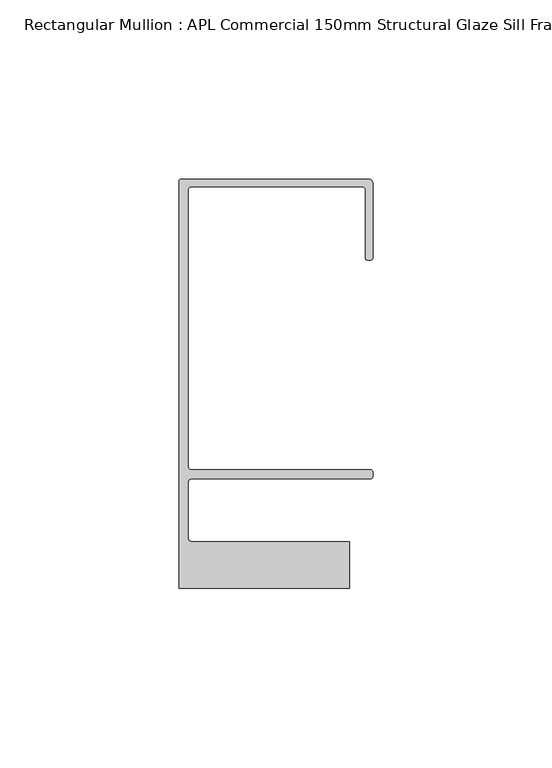
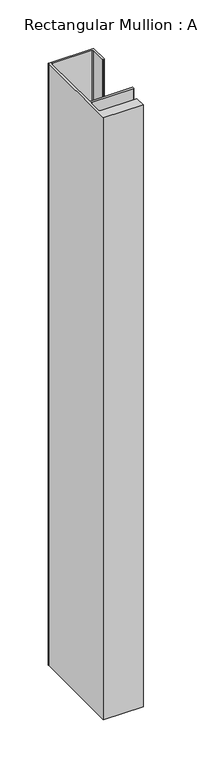
"""IFC4 building model written with IfcOpenShell, lengths in millimetres: member geometry, Rectangular Mullion : APL Commercial 150mm Structural Glaze Sill Frame (Back)."""

from ifc_helpers import new_model, si_unit, frame, origin, place, context, project, spatial, polyline, circle_curve, source, transform, mapped, element, save
from ifc_brep_helpers import plane_surface, cylinder_surface, revolved_surface, advanced_brep


def rectangular_mullion_apl_commercial_150mm_structural_glaze_35e57533(model_context):
    return source(origin(), model_context, "Body", "AdvancedBrep", [
        advanced_brep(
        [(-53.5000083, 129.0001071, 0.0), (-54.0000083, 128.5001071, 0.0), (-54.0000083, 15.0004332, 0.0), (-6.5000083, 15.0004332, 0.0), (-6.5000083, 28.0004332, 0.0), (-50.500032, 28.0004332, 0.0), (-51.500032, 29.0004332, 0.0), (-51.500032, 44.4999541, 0.0), (-50.500032, 45.4999541, 0.0), (-0.521387, 45.4999541, 0.0), (-5.4e-06, 46.0213357, 0.0), (-5.4e-06, 47.5021598, 0.0), (-0.5000012, 48.000115, 0.0), (-50.482081, 48.000115, 0.0), (-51.5000225, 48.9999541, 0.0), (-51.5000225, 126.00011, 0.0), (-50.5000083, 127.00011, 0.0), (-2.9999982, 127.00011, 0.0), (-1.9999982, 126.0001071, 0.0), (-1.9999982, 107.0001071, 0.0), (-1.4999822, 106.5001071, 0.0), (-0.5, 106.5001071, 0.0), (0.0, 107.0001071, 0.0), (0.0, 128.0001071, 0.0), (-1.0000079, 129.0001071, 0.0), (-53.5000083, 129.0001071, -760.1422625), (-1.0000079, 129.0001071, -760.1422625), (-7.9e-06, 128.0001071, -760.1422625), (0.0, 107.0001071, -760.1422625), (-0.5, 106.5001071, -760.1422625), (-1.4999822, 106.5001071, -760.1422625), (-1.9999822, 107.0001071, -760.1422625), (-1.9999982, 126.0001071, -760.1422625), (-2.9999982, 127.0001071, -760.1422625), (-50.5000083, 127.00011, -760.1422625), (-51.5000083, 126.00011, -760.1422625), (-51.5000225, 48.9999541, -760.1422625), (-50.482081, 48.000115, -760.1422625), (-0.5000012, 48.000115, -760.1422625), (-5.4e-06, 47.5021598, -760.1422625), (-5.4e-06, 46.0213357, -760.1422625), (-0.521387, 45.4999541, -760.1422625), (-50.500032, 45.4999541, -760.1422625), (-51.500032, 44.4999541, -760.1422625), (-51.500032, 29.0004332, -760.1422625), (-50.500032, 28.0004332, -760.1422625), (-6.5000083, 28.0004332, -760.1422625), (-6.5000083, 15.0004332, -760.1422625), (-54.0000083, 15.0004332, -760.1422625), (-54.0000083, 128.5001071, -760.1422625)],
        [
            (0, 1, circle_curve(frame((-53.5000083, 128.5001071, 0.0), z_axis=(0.0, 0.0, 1.0), x_axis=(0.0, 1.0, 0.0)), 0.5)),
            (1, 2),
            (2, 3),
            (3, 4),
            (4, 5),
            (5, 6, circle_curve(frame((-50.500032, 29.0004332, 0.0), z_axis=(0.0, 0.0, -1.0), x_axis=(0.0, -1.0, 0.0)), 1.0)),
            (6, 7),
            (7, 8, circle_curve(frame((-50.500032, 44.4999541, 0.0), z_axis=(0.0, 0.0, -1.0), x_axis=(-0.9999999999998819, 4.863123717036027e-07, 0.0)), 1.0)),
            (8, 9),
            (9, 10, circle_curve(frame((-0.521387, 46.0213357, 0.0), z_axis=(0.0, 0.0, 1.0), x_axis=(-1.0, 0.0, 0.0)), 0.5213816)),
            (10, 11),
            (11, 12, circle_curve(frame((-0.5000012, 47.500115, 0.0), z_axis=(0.0, 0.0, 1.0), x_axis=(0.9999999999999991, -4.5120271963110614e-08, 0.0)), 0.5)),
            (12, 13),
            (13, 14, circle_curve(frame((-50.5000225, 48.9999541, 0.0), z_axis=(0.0, 0.0, -1.0), x_axis=(3.5344775231070867e-06, -0.9999999999937538, 0.0)), 1.0)),
            (14, 15),
            (15, 16, circle_curve(frame((-50.5000083, 126.00011, 0.0), z_axis=(0.0, 0.0, -1.0), x_axis=(-1.0, 3.636202450239078e-12, 0.0)), 1.0)),
            (16, 17),
            (17, 18, circle_curve(frame((-2.9999982, 126.0001071, 0.0), z_axis=(0.0, 0.0, -1.0), x_axis=(0.0, 1.0, 0.0)), 1.0)),
            (18, 19),
            (19, 20, circle_curve(frame((-1.4999822, 107.0001071, 0.0), z_axis=(0.0, 0.0, 1.0), x_axis=(-1.0, -1.039279773351609e-08, 0.0)), 0.5)),
            (20, 21),
            (21, 22, circle_curve(frame((-0.5, 107.0001071, 0.0), z_axis=(0.0, 0.0, 1.0), x_axis=(0.0, -1.0, 0.0)), 0.5)),
            (22, 23),
            (23, 24, circle_curve(frame((-1.0000079, 128.0001071, 0.0), z_axis=(0.0, 0.0, 1.0), x_axis=(0.9999999999996143, 8.78371761103865e-07, 0.0)), 1.0)),
            (24, 0),
            (25, 26),
            (26, 27, circle_curve(frame((-1.0000079, 128.0001071, -760.1422625), z_axis=(0.0, 0.0, -1.0), x_axis=(0.9999999999996143, 8.78371761103865e-07, 0.0)), 1.0)),
            (27, 28),
            (28, 29, circle_curve(frame((-0.5, 107.0001071, -760.1422625), z_axis=(0.0, 0.0, -1.0), x_axis=(0.0, -1.0, 0.0)), 0.5)),
            (29, 30),
            (30, 31, circle_curve(frame((-1.4999822, 107.0001071, -760.1422625), z_axis=(0.0, 0.0, -1.0), x_axis=(-1.0, -1.039279773351609e-08, 0.0)), 0.5)),
            (31, 32),
            (32, 33, circle_curve(frame((-2.9999982, 126.0001071, -760.1422625), z_axis=(0.0, 0.0, 1.0), x_axis=(0.0, 1.0, 0.0)), 1.0)),
            (33, 34),
            (34, 35, circle_curve(frame((-50.5000083, 126.00011, -760.1422625), z_axis=(0.0, 0.0, 1.0), x_axis=(-1.0, 3.636202450239078e-12, 0.0)), 1.0)),
            (35, 36),
            (36, 37, circle_curve(frame((-50.5000225, 48.9999541, -760.1422625), z_axis=(0.0, 0.0, 1.0), x_axis=(3.5344775231070867e-06, -0.9999999999937538, 0.0)), 1.0)),
            (37, 38),
            (38, 39, circle_curve(frame((-0.5000012, 47.500115, -760.1422625), z_axis=(0.0, 0.0, -1.0), x_axis=(0.9999999999999991, -4.5120271963110614e-08, 0.0)), 0.5)),
            (39, 40),
            (40, 41, circle_curve(frame((-0.521387, 46.0213357, -760.1422625), z_axis=(0.0, 0.0, -1.0), x_axis=(-1.0, 0.0, 0.0)), 0.5213816)),
            (41, 42),
            (42, 43, circle_curve(frame((-50.500032, 44.4999541, -760.1422625), z_axis=(0.0, 0.0, 1.0), x_axis=(-0.9999999999998819, 4.863123717036027e-07, 0.0)), 1.0)),
            (43, 44),
            (44, 45, circle_curve(frame((-50.500032, 29.0004332, -760.1422625), z_axis=(0.0, 0.0, 1.0), x_axis=(0.0, -1.0, 0.0)), 1.0)),
            (45, 46),
            (46, 47),
            (47, 48),
            (48, 49),
            (49, 25, circle_curve(frame((-53.5000083, 128.5001071, -760.1422625), z_axis=(0.0, 0.0, -1.0), x_axis=(0.0, 1.0, 0.0)), 0.5)),
            (0, 25),
            (49, 1),
            (48, 2),
            (47, 3),
            (46, 4),
            (45, 5),
            (44, 6),
            (43, 7),
            (42, 8),
            (41, 9),
            (40, 10),
            (39, 11),
            (38, 12),
            (37, 13),
            (36, 14),
            (35, 15),
            (34, 16),
            (33, 17),
            (32, 18),
            (31, 19),
            (30, 20),
            (29, 21),
            (28, 22),
            (27, 23),
            (26, 24),
        ],
        [
            plane_surface(frame((0.0, -139.6548314, 0.0), z_axis=(0.0, 0.0, 1.0), x_axis=(-1.0, 0.0, 0.0))),
            plane_surface(frame((0.0, -139.6548314, -760.1422625), z_axis=(0.0, 0.0, -1.0), x_axis=(-1.0, 0.0, 0.0))),
            cylinder_surface(frame((-53.5000083, 128.5001071, 0.0), z_axis=(0.0, 0.0, 1.0), x_axis=(0.0, 1.0, 0.0)), 0.5),
            plane_surface(frame((-54.0000083, 128.5001071, 0.0), z_axis=(-1.0, 0.0, 0.0), x_axis=(0.0, 0.0, -1.0))),
            plane_surface(frame((-54.0000083, 15.0004332, 0.0), z_axis=(0.0, -1.0, 0.0), x_axis=(0.0, 0.0, -1.0))),
            plane_surface(frame((-6.5000083, 15.0004332, 0.0), z_axis=(1.0, 0.0, 0.0), x_axis=(0.0, 0.0, -1.0))),
            plane_surface(frame((-6.5000083, 28.0004332, 0.0), z_axis=(0.0, 1.0, 0.0), x_axis=(0.0, 0.0, -1.0))),
            revolved_surface(polyline([(-50.500032, 28.0004332, -760.1422625), (-50.500032, 28.0004332, 0.0)]), (-50.500032, 29.0004332, 0.0), (0.0, 0.0, -1.0)),
            plane_surface(frame((-51.500032, 29.0004332, 0.0), z_axis=(1.0, 0.0, 0.0), x_axis=(0.0, 0.0, -1.0))),
            revolved_surface(polyline([(-51.50003199999988, 44.49995458631237, -760.1422625000002), (-51.50003199999988, 44.49995458631237, 0.0)]), (-50.500032, 44.4999541, 0.0), (0.0, 0.0, -1.0000000000000002)),
            plane_surface(frame((-50.500032, 45.4999541, 0.0), z_axis=(0.0, -1.0, 0.0), x_axis=(0.0, 0.0, -1.0))),
            cylinder_surface(frame((-0.521387, 46.0213357, 0.0), z_axis=(0.0, 0.0, 1.0), x_axis=(-1.0, 0.0, 0.0)), 0.5213816),
            plane_surface(frame((-5.4e-06, 46.0213357, 0.0), z_axis=(1.0, 0.0, 0.0), x_axis=(0.0, 0.0, -1.0))),
            cylinder_surface(frame((-0.5000012, 47.500115, 0.0), z_axis=(0.0, 0.0, 1.0000000000000002), x_axis=(0.9999999999999991, -4.5120271963110614e-08, 0.0)), 0.5),
            plane_surface(frame((-0.5000012, 48.000115, 0.0), z_axis=(0.0, 1.0, 0.0), x_axis=(0.0, 0.0, -1.0))),
            revolved_surface(polyline([(-50.50001896552248, 47.99995410000624, -760.1422625), (-50.50001896552248, 47.99995410000624, 0.0)]), (-50.5000225, 48.9999541, 0.0), (0.0, 0.0, -1.0)),
            plane_surface(frame((-51.5000225, 48.9999541, 0.0), z_axis=(1.0, 0.0, 0.0), x_axis=(0.0, 0.0, -1.0))),
            revolved_surface(polyline([(-51.5000083, 126.00011000000364, -760.1422625), (-51.5000083, 126.00011000000364, 0.0)]), (-50.5000083, 126.00011, 0.0), (0.0, 0.0, -1.0)),
            plane_surface(frame((-50.5000083, 127.00011, 0.0), z_axis=(0.0, -1.0, 0.0), x_axis=(0.0, 0.0, -1.0))),
            revolved_surface(polyline([(-2.9999982, 127.0001071, -760.1422625), (-2.9999982, 127.0001071, 0.0)]), (-2.9999982, 126.0001071, 0.0), (0.0, 0.0, -1.0)),
            plane_surface(frame((-1.9999982, 126.0001071, 0.0), z_axis=(-1.0, 0.0, 0.0), x_axis=(0.0, 0.0, -1.0))),
            cylinder_surface(frame((-1.4999822, 107.0001071, 0.0), z_axis=(0.0, 0.0, 1.0), x_axis=(-1.0, -1.039279773351609e-08, 0.0)), 0.5),
            plane_surface(frame((-1.4999822, 106.5001071, 0.0), z_axis=(0.0, -1.0, 0.0), x_axis=(0.0, 0.0, -1.0))),
            cylinder_surface(frame((-0.5, 107.0001071, 0.0), z_axis=(0.0, 0.0, 1.0), x_axis=(0.0, -1.0, 0.0)), 0.5),
            plane_surface(frame((0.0, 107.0001071, 0.0), z_axis=(1.0, 0.0, 0.0), x_axis=(0.0, 0.0, -1.0))),
            cylinder_surface(frame((-1.0000079, 128.0001071, 0.0), z_axis=(0.0, 0.0, 1.0000000000000002), x_axis=(0.9999999999996143, 8.78371761103865e-07, 0.0)), 1.0),
            plane_surface(frame((-1.0000079, 129.0001071, 0.0), z_axis=(0.0, 1.0, 0.0), x_axis=(0.0, 0.0, -1.0))),
        ],
        [
            (0, [[1, 2, 3, 4, 5, 6, 7, 8, 9, 10, 11, 12, 13, 14, 15, 16, 17, 18, 19, 20, 21, 22, 23, 24, 25]]),
            (1, [[26, 27, 28, 29, 30, 31, 32, 33, 34, 35, 36, 37, 38, 39, 40, 41, 42, 43, 44, 45, 46, 47, 48, 49, 50]]),
            (2, [[-1, 51, -50, 52]]),
            (3, [[-2, -52, -49, 53]]),
            (4, [[-3, -53, -48, 54]]),
            (5, [[-4, -54, -47, 55]]),
            (6, [[-5, -55, -46, 56]]),
            (7, [[-6, -56, -45, 57]]),
            (8, [[-7, -57, -44, 58]]),
            (9, [[-8, -58, -43, 59]]),
            (10, [[-9, -59, -42, 60]]),
            (11, [[-10, -60, -41, 61]]),
            (12, [[-11, -61, -40, 62]]),
            (13, [[-12, -62, -39, 63]]),
            (14, [[-13, -63, -38, 64]]),
            (15, [[-14, -64, -37, 65]]),
            (16, [[-15, -65, -36, 66]]),
            (17, [[-16, -66, -35, 67]]),
            (18, [[-17, -67, -34, 68]]),
            (19, [[-18, -68, -33, 69]]),
            (20, [[-19, -69, -32, 70]]),
            (21, [[-20, -70, -31, 71]]),
            (22, [[-21, -71, -30, 72]]),
            (23, [[-22, -72, -29, 73]]),
            (24, [[-23, -73, -28, 74]]),
            (25, [[-24, -74, -27, 75]]),
            (26, [[-25, -75, -26, -51]]),
        ],
    ),
    ])


if __name__ == "__main__":
    model = new_model("IFC4")
    model_context = context("Model", 3, world=origin())
    ifc_project = project(units=[si_unit("LENGTHUNIT", "METRE", prefix="MILLI")], contexts=[model_context])
    site = spatial("IfcSite", under=ifc_project)
    building = spatial("IfcBuilding", under=site)
    placement = place(None, origin())
    rectangular_mullion_apl_commercial_150mm_structural_glaze_shape = rectangular_mullion_apl_commercial_150mm_structural_glaze_35e57533(model_context)
    element("IfcMember", 1, ObjectType="Rectangular Mullion : APL Commercial 150mm Structural Glaze Sill Frame (Back)", at=placement, inside=building, context=model_context, shape_type="MappedRepresentation", body=[
        mapped(rectangular_mullion_apl_commercial_150mm_structural_glaze_shape, transform((0.0, 0.0, 0.0), x_axis=(1.0, 0.0, 0.0), y_axis=(0.0, 1.0, 0.0), z_axis=(0.0, 0.0, 1.0))),
    ])
    save(model, "model.ifc")
